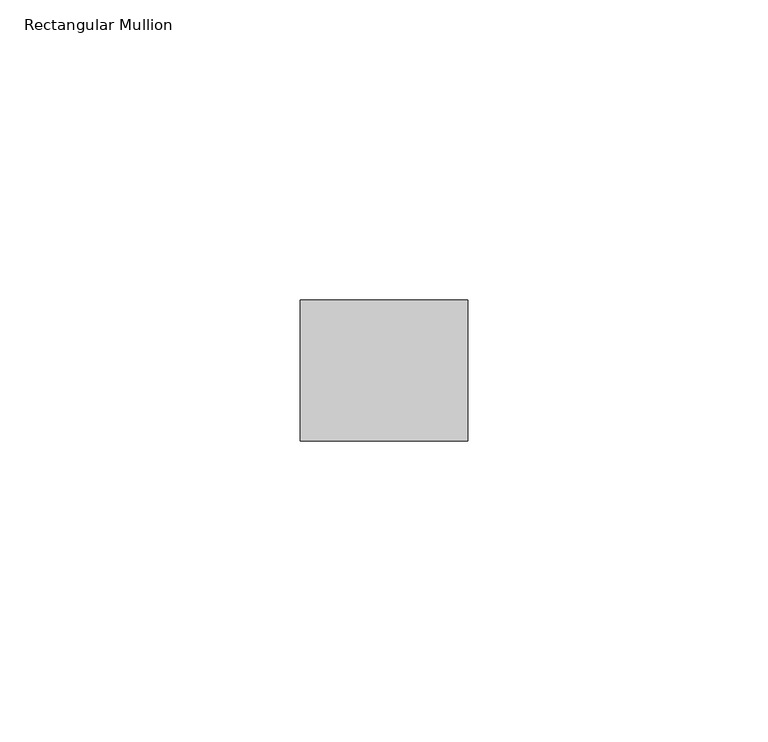
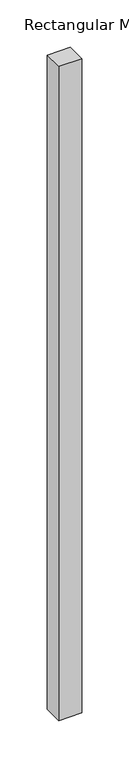
"""IFC4 building model written with IfcOpenShell, lengths in millimetres: member geometry, Rectangular Mullion."""

import ifcopenshell
import ifcopenshell.guid

model = None  # the IFC model being written
_history = None  # IfcOwnerHistory: only IFC2X3 demands one
_inside = {}  # id of a spatial element -> (the spatial element, [elements in it])
_under = {}  # id of a project, library or spatial element -> (it, [spatial elements below it])
_declared = {}  # id of a project -> (the project, [libraries it declares])
_typed = {}  # id of a type object -> (the type object, [elements of that type])
_made_of = {}  # id of a material, layer set ... -> (it, [elements and type objects made of it])


def new_model(schema):
    """Start an empty IFC model of exactly this schema.

    Asked for "IFC4X3", IfcOpenShell would pick the latest addendum, in which some entities
    have other attributes; the version numbers below select the first issue.
    IFC2X3 requires an IfcOwnerHistory on every rooted entity: one is made here for all.
    """
    global model, _history
    if schema == "IFC4X3":
        model = ifcopenshell.file(schema_version=(4, 3, 0, 0))
    else:
        model = ifcopenshell.file(schema=schema)
    _inside.clear()
    _under.clear()
    _declared.clear()
    _typed.clear()
    _made_of.clear()
    _history = None
    if model.schema == "IFC2X3":
        org = make("IfcOrganization", Name="unknown")
        user = make(
            "IfcPersonAndOrganization",
            ThePerson=make("IfcPerson", FamilyName="unknown"),
            TheOrganization=org,
        )
        app = make(
            "IfcApplication",
            ApplicationDeveloper=org,
            Version="unknown",
            ApplicationFullName="unknown",
            ApplicationIdentifier="unknown",
        )
        _history = make(
            "IfcOwnerHistory",
            OwningUser=user,
            OwningApplication=app,
            ChangeAction="ADDED",
            CreationDate=0,
        )
    return model


def make(cls, **values):
    """One entity of the class cls with the attributes given. An attribute that is None is left unset."""
    return model.create_entity(
        cls, **{name: value for name, value in values.items() if value is not None}
    )


def rooted(cls, **values):
    """An entity with a GlobalId (a new one), such as an element, a storey or a relation."""
    return make(cls, GlobalId=ifcopenshell.guid.new(), OwnerHistory=_history, **values)


def si_unit(unit_type, name, prefix=None):
    """IfcSIUnit, for example si_unit("LENGTHUNIT", "METRE", prefix="MILLI")."""
    return make("IfcSIUnit", UnitType=unit_type, Prefix=prefix, Name=name)


def assignment(units):
    """IfcUnitAssignment: the units of a project."""
    return None if units is None else make("IfcUnitAssignment", Units=units)


def point(xyz):
    """IfcCartesianPoint."""
    return None if xyz is None else make("IfcCartesianPoint", Coordinates=xyz)


def direction(xyz):
    """IfcDirection."""
    return None if xyz is None else make("IfcDirection", DirectionRatios=xyz)


def frame(location, z_axis=None, x_axis=None):
    """IfcAxis2Placement3D, a coordinate frame: its origin and axes. An axis left out is left unset."""
    return make(
        "IfcAxis2Placement3D",
        Location=point(location),
        Axis=direction(z_axis),
        RefDirection=direction(x_axis),
    )


def origin():
    """The frame at (0, 0, 0) with its axes left unset."""
    return frame((0.0, 0.0, 0.0))


def place(relative_to, where):
    """IfcLocalPlacement: puts the frame where relative to a parent placement (None: the world)."""
    return make(
        "IfcLocalPlacement", PlacementRelTo=relative_to, RelativePlacement=where
    )


def context(
    kind, dimensions, precision=None, world=None, true_north=None, identifier=None
):
    """IfcGeometricRepresentationContext, for example the 3D "Model" context."""
    return make(
        "IfcGeometricRepresentationContext",
        ContextIdentifier=identifier,
        ContextType=kind,
        CoordinateSpaceDimension=dimensions,
        Precision=precision,
        WorldCoordinateSystem=world,
        TrueNorth=true_north,
    )


def project(units=None, contexts=None):
    """IfcProject with its units and contexts."""
    return rooted(
        "IfcProject",
        Name="project",
        RepresentationContexts=contexts,
        UnitsInContext=assignment(units),
    )


def spatial(cls, under=None, at=None, **own):
    """A site, building, storey or space (cls), placed at a placement, below another one or the project."""
    s = rooted(cls, ObjectPlacement=at, **own)
    if under is not None:
        _under.setdefault(under.id(), (under, []))[1].append(s)
    return s


def polyline(points):
    """IfcPolyline through the points."""
    return make("IfcPolyline", Points=[point(p) for p in points])


def outline(outer, holes=None, kind="AREA"):
    """IfcArbitraryClosedProfileDef: a profile drawn as a closed curve; with holes, ...WithVoids."""
    if holes is None:
        return make("IfcArbitraryClosedProfileDef", ProfileType=kind, OuterCurve=outer)
    return make(
        "IfcArbitraryProfileDefWithVoids",
        ProfileType=kind,
        OuterCurve=outer,
        InnerCurves=holes,
    )


def extrude(swept, where, along, depth):
    """IfcExtrudedAreaSolid: the profile swept, set in the frame where, extruded along a direction by depth."""
    return make(
        "IfcExtrudedAreaSolid",
        SweptArea=swept,
        Position=where,
        ExtrudedDirection=direction(along),
        Depth=depth,
    )


def shape(context_of_items, identifier, shape_type, items):
    """IfcShapeRepresentation: the items that make up one representation, for example the "Body"."""
    return make(
        "IfcShapeRepresentation",
        ContextOfItems=context_of_items,
        RepresentationIdentifier=identifier,
        RepresentationType=shape_type,
        Items=items,
    )


def source(mapping_origin, context_of_items, identifier, shape_type, items):
    """IfcRepresentationMap: a shape defined once, which mapped items show again and again."""
    return make(
        "IfcRepresentationMap",
        MappingOrigin=mapping_origin,
        MappedRepresentation=shape(context_of_items, identifier, shape_type, items),
    )


def transform(
    local_origin,
    x_axis=None,
    y_axis=None,
    z_axis=None,
    scale=None,
    scale2=None,
    scale3=None,
    uniform=True,
):
    """IfcCartesianTransformationOperator3D, or its non-uniform kind. x_axis, y_axis, z_axis: its Axis1, 2, 3."""
    if uniform:
        return make(
            "IfcCartesianTransformationOperator3D",
            Axis1=direction(x_axis),
            Axis2=direction(y_axis),
            LocalOrigin=point(local_origin),
            Scale=scale,
            Axis3=direction(z_axis),
        )
    return make(
        "IfcCartesianTransformationOperator3DnonUniform",
        Axis1=direction(x_axis),
        Axis2=direction(y_axis),
        LocalOrigin=point(local_origin),
        Scale=scale,
        Axis3=direction(z_axis),
        Scale2=scale2,
        Scale3=scale3,
    )


def mapped(mapping_source, mapping_target):
    """IfcMappedItem: shows the shape of a source again, moved by a transform."""
    return make(
        "IfcMappedItem", MappingSource=mapping_source, MappingTarget=mapping_target
    )


def made_of(thing, what):
    """Note that an element or type object is made of a material, layer set ...; save() writes the relation."""
    if what is not None:
        _made_of.setdefault(what.id(), (what, []))[1].append(thing)
    return thing


def element(
    cls,
    number,
    at=None,
    inside=None,
    cuts=None,
    type_object=None,
    material=None,
    context=None,
    identifier="Body",
    shape_type=None,
    held_by="IfcProductDefinitionShape",
    body=None,
    shapes=None,
    **own,
):
    """One element of the class cls, such as IfcWall. Its Tag is "e" and its number.

    at: its placement. inside: the storey or other place that contains it. cuts: it is an
    opening in that element (IfcRelVoidsElement). A single representation is given by context,
    identifier, shape_type and body (its items); several are given by shapes. held_by: the class
    of the entity that holds the representations. save() writes the other relations.
    """
    e = rooted(cls, Tag="e%d" % number, ObjectPlacement=at, **own)
    if body is not None:
        shapes = [shape(context, identifier, shape_type, body)]
    if shapes is not None:
        e.Representation = make(held_by, Representations=shapes)
    if inside is not None:
        _inside.setdefault(inside.id(), (inside, []))[1].append(e)
    if cuts is not None:
        rooted(
            "IfcRelVoidsElement", RelatingBuildingElement=cuts, RelatedOpeningElement=e
        )
    if type_object is not None:
        _typed.setdefault(type_object.id(), (type_object, []))[1].append(e)
    return made_of(e, material)


def aggregate(whole, parts):
    """IfcRelAggregates: a whole, such as a stair, and the parts it consists of."""
    return rooted("IfcRelAggregates", RelatingObject=whole, RelatedObjects=parts)


def save(model, path):
    """Write the relations noted so far, then the file.

    IfcRelAggregates (storeys below a building ...), IfcRelContainedInSpatialStructure (elements
    in a storey), IfcRelDefinesByType, IfcRelAssociatesMaterial and IfcRelDeclares: one each for
    every whole, place, type object, material and project.
    """
    for whole, parts in _under.values():
        aggregate(whole, parts)
    for where, things in _inside.values():
        rooted(
            "IfcRelContainedInSpatialStructure",
            RelatedElements=things,
            RelatingStructure=where,
        )
    for kind, things in _typed.values():
        rooted("IfcRelDefinesByType", RelatedObjects=things, RelatingType=kind)
    for what, things in _made_of.values():
        rooted("IfcRelAssociatesMaterial", RelatedObjects=things, RelatingMaterial=what)
    for by, libraries in _declared.values():
        rooted("IfcRelDeclares", RelatingContext=by, RelatedDefinitions=libraries)
    model.write(path)


def rectangular_mullion_c3d95506(model_context):
    return source(origin(), model_context, "Body", "SweptSolid", [
        extrude(outline(polyline([(0.0, -11.7474999), (-27.94, -11.7474999), (-27.94, 11.7474999), (0.0, 11.7474999), (0.0, -11.7474999)])), frame((0.0, 0.0, -842.2145276), z_axis=(0.0, 0.0, 1.0), x_axis=(1.0, 0.0, 0.0)), (0.0, 0.0, 1.0), 842.2145276),
    ])


if __name__ == "__main__":
    model = new_model("IFC4")
    model_context = context("Model", 3, world=origin())
    ifc_project = project(units=[si_unit("LENGTHUNIT", "METRE", prefix="MILLI")], contexts=[model_context])
    site = spatial("IfcSite", under=ifc_project)
    building = spatial("IfcBuilding", under=site)
    placement = place(None, origin())
    rectangular_mullion_shape = rectangular_mullion_c3d95506(model_context)
    element("IfcMember", 1, ObjectType="Rectangular Mullion", at=placement, inside=building, context=model_context, shape_type="MappedRepresentation", body=[
        mapped(rectangular_mullion_shape, transform((0.0, 0.0, 0.0), x_axis=(1.0, 0.0, 0.0), y_axis=(0.0, 1.0, 0.0), z_axis=(0.0, 0.0, 1.0))),
    ])
    save(model, "model.ifc")
